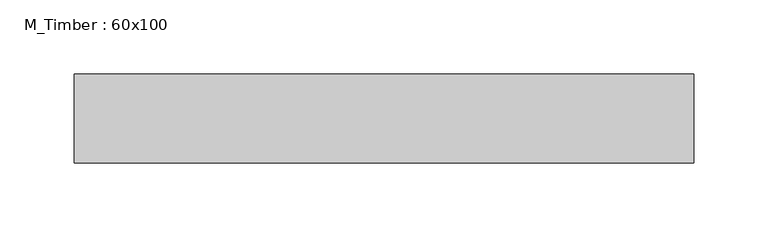
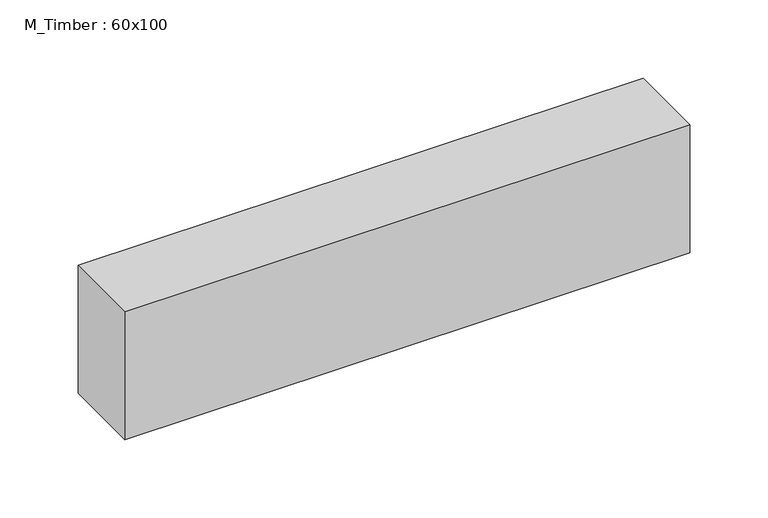
"""IFC4 building model written with IfcOpenShell, lengths in millimetres: beam geometry, M_Timber : 60x100."""

from ifc_helpers import new_model, si_unit, frame, origin, place, context, project, spatial, polyline, outline, extrude, source, transform, mapped, element, save


def m_timber_60x100_ca90a94a(model_context):
    return source(origin(), model_context, "Body", "SweptSolid", [
        extrude(outline(polyline([(218.398207, 30.0), (218.398207, -30.0), (-199.3873981, -30.0), (-199.3873981, 30.0), (218.398207, 30.0)])), frame((0.0, 0.0, -50.0), z_axis=(0.0, 0.0, 1.0), x_axis=(1.0, 0.0, 0.0)), (0.0, 0.0, 1.0), 100.0),
    ])


if __name__ == "__main__":
    model = new_model("IFC4")
    model_context = context("Model", 3, world=origin())
    ifc_project = project(units=[si_unit("LENGTHUNIT", "METRE", prefix="MILLI")], contexts=[model_context])
    site = spatial("IfcSite", under=ifc_project)
    building = spatial("IfcBuilding", under=site)
    placement = place(None, origin())
    m_timber_60x100_shape = m_timber_60x100_ca90a94a(model_context)
    element("IfcBeam", 1, ObjectType="M_Timber : 60x100", at=placement, inside=building, context=model_context, shape_type="MappedRepresentation", body=[
        mapped(m_timber_60x100_shape, transform((0.0, 0.0, 0.0), x_axis=(1.0, 0.0, 0.0), y_axis=(0.0, 1.0, 0.0), z_axis=(0.0, 0.0, 1.0))),
    ])
    save(model, "model.ifc")
